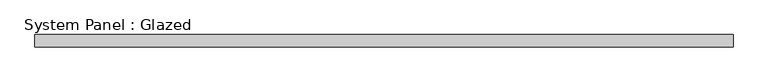
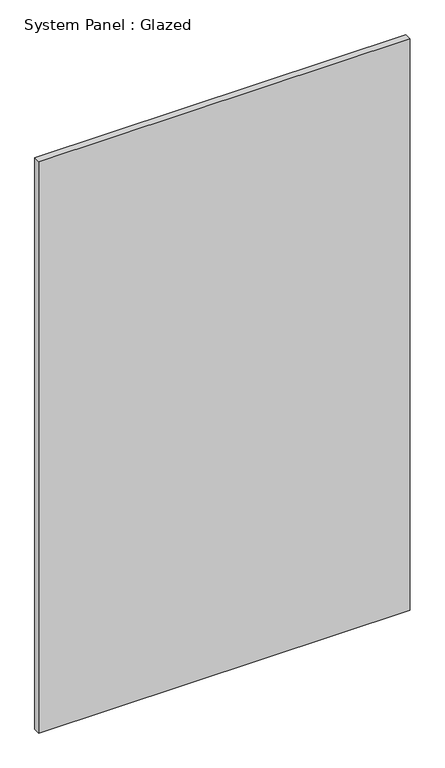
"""IFC4 building model written with IfcOpenShell, lengths in millimetres: plate geometry, System Panel : Glazed."""

from ifc_helpers import new_model, si_unit, origin, origin_with_axes, place, context, project, spatial, polyline, outline, extrude, source, transform, mapped, element, save


def system_panel_glazed_1a448b86(model_context):
    return source(origin(), model_context, "Body", "SweptSolid", [
        extrude(outline(polyline([(715.002393, 24.5), (-715.002393, 24.5), (-715.002393, 49.5), (715.002393, 49.5), (715.002393, 24.5)])), origin_with_axes(), (0.0, 0.0, 1.0), 2325.0),
    ])


if __name__ == "__main__":
    model = new_model("IFC4")
    model_context = context("Model", 3, world=origin())
    ifc_project = project(units=[si_unit("LENGTHUNIT", "METRE", prefix="MILLI")], contexts=[model_context])
    site = spatial("IfcSite", under=ifc_project)
    building = spatial("IfcBuilding", under=site)
    placement = place(None, origin())
    system_panel_glazed_shape = system_panel_glazed_1a448b86(model_context)
    element("IfcPlate", 1, ObjectType="System Panel : Glazed", at=placement, inside=building, context=model_context, shape_type="MappedRepresentation", body=[
        mapped(system_panel_glazed_shape, transform((0.0, 0.0, 0.0), x_axis=(1.0, 0.0, 0.0), y_axis=(0.0, 1.0, 0.0), z_axis=(0.0, 0.0, 1.0))),
    ])
    save(model, "model.ifc")
